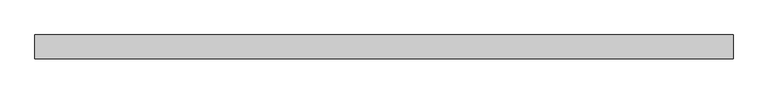
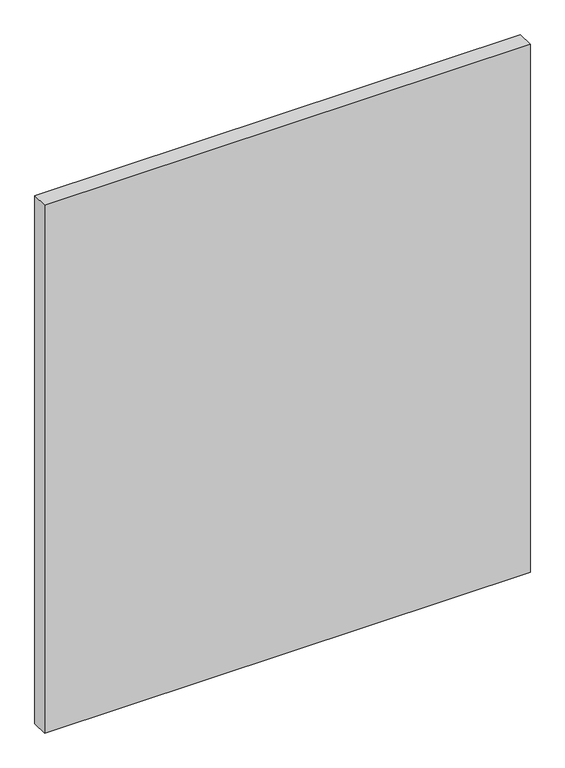
"""IFC4 building model written with IfcOpenShell, lengths in millimetres: plate geometry."""

from ifc_helpers import new_model, si_unit, origin, origin_with_axes, place, context, project, spatial, polyline, outline, extrude, source, transform, mapped, element, save


def plate_912d3f66(model_context):
    return source(origin(), model_context, "Body", "SweptSolid", [
        extrude(outline(polyline([(509.6458333, -17.5), (-509.6458333, -17.5), (-509.6458333, 17.5), (509.6458333, 17.5), (509.6458333, -17.5)])), origin_with_axes(), (0.0, 0.0, 1.0), 1170.0),
    ])


if __name__ == "__main__":
    model = new_model("IFC4")
    model_context = context("Model", 3, world=origin())
    ifc_project = project(units=[si_unit("LENGTHUNIT", "METRE", prefix="MILLI")], contexts=[model_context])
    site = spatial("IfcSite", under=ifc_project)
    building = spatial("IfcBuilding", under=site)
    placement = place(None, origin())
    plate_shape = plate_912d3f66(model_context)
    element("IfcPlate", 1, at=placement, inside=building, context=model_context, shape_type="MappedRepresentation", body=[
        mapped(plate_shape, transform((0.0, 0.0, 0.0), x_axis=(1.0, 0.0, 0.0), y_axis=(0.0, 1.0, 0.0), z_axis=(0.0, 0.0, 1.0))),
    ])
    save(model, "model.ifc")
